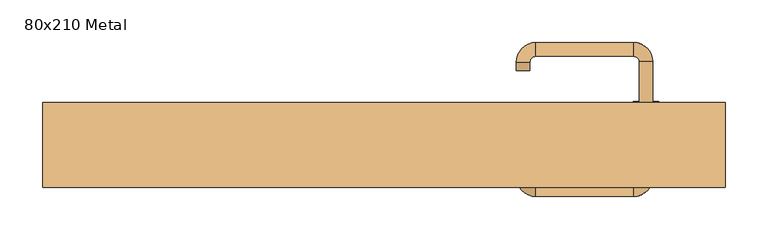
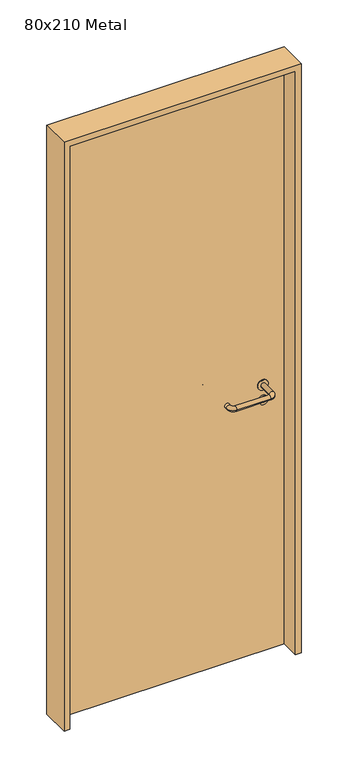
"""IFC4 building model written with IfcOpenShell, lengths in millimetres: door geometry, 80x210 Metal."""

from ifc_helpers import new_model, si_unit, point, frame, frame_2d, origin, origin_with_axes, place, context, project, spatial, polyline, circle_curve, ellipse_curve, trimmed, segment, composite_curve, outline, extrude, source, transform, mapped, element, save
from ifc_brep_helpers import plane_surface, cylinder_surface, revolved_surface, advanced_brep


def door_80x210_metal_e9ba2e38(model_context):
    return source(origin(), model_context, "Body", "SolidModel", [
        extrude(outline(composite_curve([segment(trimmed(circle_curve(frame_2d((897.3605726, 307.0)), 15.0), [point((897.3605726, 322.0))], [point((897.3605726, 292.0))], False, "CARTESIAN"), True, "CONTINUOUS"), segment(trimmed(circle_curve(frame_2d((897.3605726, 307.0)), 15.0), [point((897.3605726, 292.0))], [point((897.3605726, 322.0))], False, "CARTESIAN"), True, "CONTINUOUS")], self_intersect=False), holes=[composite_curve([segment(trimmed(circle_curve(frame_2d((892.5833211, 306.9398032)), 2.0), [point((892.5833211, 308.9398032))], [point((892.5833211, 304.9398032))], True, "CARTESIAN"), True, "CONTINUOUS"), segment(polyline([(892.5833211, 304.9398032), (902.5833211, 304.9398032)]), True, "CONTINUOUS"), segment(trimmed(circle_curve(frame_2d((902.5833211, 306.9398032)), 2.0), [point((902.5833211, 304.9398032))], [point((902.5833211, 308.9398032))], True, "CARTESIAN"), True, "CONTINUOUS"), segment(polyline([(902.5833211, 308.9398032), (892.5833211, 308.9398032)]), True, "CONTINUOUS")], self_intersect=False)]), frame((0.0, 18.65, 0.0), z_axis=(0.0, 1.0, 0.0), x_axis=(0.0, 0.0, 1.0)), (0.0, 0.0, 1.0), 6.35),
        extrude(outline(composite_curve([segment(trimmed(circle_curve(frame_2d((950.0, 307.0)), 17.526), [point((950.0, 324.526))], [point((950.0, 289.474))], False, "CARTESIAN"), True, "CONTINUOUS"), segment(trimmed(circle_curve(frame_2d((950.0, 307.0)), 17.526), [point((950.0, 289.474))], [point((950.0, 324.526))], False, "CARTESIAN"), True, "CONTINUOUS")], self_intersect=False)), frame((0.0, 21.825, 0.0), z_axis=(0.0, 1.0, 0.0), x_axis=(0.0, 0.0, 1.0)), (0.0, 0.0, 1.0), 3.175),
        advanced_brep(
        [(315.0, 25.0, 950.0), (299.0, 25.0, 950.0), (299.0, -28.0, 950.0), (315.0, -28.0, 950.0), (292.8578644, -34.1421356, 950.0), (292.8578644, -50.1421356, 950.0), (177.8578644, -34.1421356, 950.0), (177.8578644, -50.1421356, 950.0), (171.008622, -27.2928932, 950.0), (155.008622, -27.2928932, 950.0), (155.008622, -17.2928932, 950.0), (171.008622, -17.2928932, 950.0)],
        [
            (0, 1, circle_curve(frame((307.0, 25.0, 950.0), z_axis=(0.0, 1.0, 0.0), x_axis=(-1.0, 0.0, 0.0)), 8.0)),
            (1, 0, circle_curve(frame((307.0, 25.0, 950.0), z_axis=(0.0, 1.0, 0.0), x_axis=(-1.0, 0.0, 0.0)), 8.0)),
            (1, 2),
            (2, 3, circle_curve(frame((307.0, -28.0, 950.0), z_axis=(0.0, 1.0, 0.0), x_axis=(-1.0, 0.0, 0.0)), 8.0)),
            (3, 0),
            (3, 2, circle_curve(frame((307.0, -28.0, 950.0), z_axis=(0.0, 1.0, 0.0), x_axis=(-1.0, 0.0, 0.0)), 8.0)),
            (4, 5, circle_curve(frame((292.8578644, -42.1421356, 950.0), z_axis=(1.0, 0.0, 0.0), x_axis=(0.0, 1.0, 0.0)), 8.0)),
            (5, 3, circle_curve(frame((292.8578644, -28.0, 950.0), z_axis=(0.0, 0.0, 1.0), x_axis=(1.0, 0.0, 0.0)), 22.1421356)),
            (2, 4, circle_curve(frame((292.8578644, -28.0, 950.0), z_axis=(0.0, 0.0, -1.0), x_axis=(1.0, 0.0, 0.0)), 6.1421356)),
            (5, 4, circle_curve(frame((292.8578644, -42.1421356, 950.0), z_axis=(1.0, 0.0, 0.0), x_axis=(0.0, 1.0, 0.0)), 8.0)),
            (4, 6),
            (6, 7, circle_curve(frame((177.8578644, -42.1421356, 950.0), z_axis=(1.0, 0.0, 0.0), x_axis=(0.0, 1.0, 0.0)), 8.0)),
            (7, 5),
            (7, 6, circle_curve(frame((177.8578644, -42.1421356, 950.0), z_axis=(1.0, 0.0, 0.0), x_axis=(0.0, 1.0, 0.0)), 8.0)),
            (8, 9, circle_curve(frame((163.008622, -27.2928932, 950.0), z_axis=(0.0, -1.0, 0.0), x_axis=(1.0, 0.0, 0.0)), 8.0)),
            (9, 7, circle_curve(frame((177.8578644, -27.2928932, 950.0), z_axis=(0.0, 0.0, 1.0), x_axis=(0.0, -1.0, 0.0)), 22.8492424)),
            (6, 8, circle_curve(frame((177.8578644, -27.2928932, 950.0), z_axis=(0.0, 0.0, -1.0), x_axis=(0.0, -1.0, 0.0)), 6.8492424)),
            (9, 8, circle_curve(frame((163.008622, -27.2928932, 950.0), z_axis=(0.0, -1.0, 0.0), x_axis=(1.0, 0.0, 0.0)), 8.0)),
            (10, 11, circle_curve(frame((163.008622, -17.2928932, 950.0), z_axis=(0.0, 1.0, 0.0), x_axis=(1.0, 0.0, 0.0)), 8.0)),
            (11, 10, circle_curve(frame((163.008622, -17.2928932, 950.0), z_axis=(0.0, 1.0, 0.0), x_axis=(1.0, 0.0, 0.0)), 8.0)),
            (8, 11),
            (10, 9),
        ],
        [
            plane_surface(frame((307.0, 25.0, 0.0), z_axis=(0.0, 1.0, 0.0), x_axis=(0.0, 0.0, 1.0))),
            cylinder_surface(frame((307.0, 25.0, 950.0), z_axis=(0.0, 1.0, 0.0), x_axis=(-1.0, 0.0, 0.0)), 8.0),
            revolved_surface(trimmed(ellipse_curve(frame((307.0, -28.0, 950.0), z_axis=(0.0, -1.0, 0.0), x_axis=(-1.0, 0.0, 0.0)), 8.0, 8.0), [point((315.0, -28.0, 950.0))], [point((299.0, -28.0, 950.0))], True, "CARTESIAN"), (292.8578644, -28.0, 0.0), (0.0, 0.0, 1.0)),
            revolved_surface(trimmed(ellipse_curve(frame((307.0, -28.0, 950.0), z_axis=(0.0, -1.0, 0.0), x_axis=(-1.0, 0.0, 0.0)), 8.0, 8.0), [point((299.0, -28.0, 950.0))], [point((315.0, -28.0, 950.0))], True, "CARTESIAN"), (292.8578644, -28.0, 0.0), (0.0, 0.0, 1.0)),
            cylinder_surface(frame((292.8578644, -42.1421356, 950.0), z_axis=(1.0, 0.0, 0.0), x_axis=(0.0, 1.0, 0.0)), 8.0),
            revolved_surface(trimmed(ellipse_curve(frame((177.8578644, -42.1421356, 950.0), z_axis=(-1.0, 0.0, 0.0), x_axis=(0.0, 1.0, 0.0)), 8.0, 8.0), [point((177.8578644, -50.1421356, 950.0))], [point((177.8578644, -34.1421356, 950.0))], True, "CARTESIAN"), (177.8578644, -27.2928932, 0.0), (0.0, 0.0, 1.0)),
            revolved_surface(trimmed(ellipse_curve(frame((177.8578644, -42.1421356, 950.0), z_axis=(-1.0, 0.0, 0.0), x_axis=(0.0, 1.0, 0.0)), 8.0, 8.0), [point((177.8578644, -34.1421356, 950.0))], [point((177.8578644, -50.1421356, 950.0))], True, "CARTESIAN"), (177.8578644, -27.2928932, 0.0), (0.0, 0.0, 1.0)),
            plane_surface(frame((163.008622, -17.2928932, 0.0), z_axis=(0.0, 1.0, 0.0), x_axis=(0.0, 0.0, 1.0))),
            cylinder_surface(frame((163.008622, -27.2928932, 950.0), z_axis=(0.0, -1.0, 0.0), x_axis=(1.0, 0.0, 0.0)), 8.0),
        ],
        [
            (0, [[1, 2]]),
            (1, [[3, 4, 5, -2]]),
            (1, [[-5, 6, -3, -1]]),
            (2, [[7, 8, -4, 9]]),
            (3, [[10, -9, -6, -8]]),
            (4, [[11, 12, 13, -7]]),
            (4, [[-13, 14, -11, -10]]),
            (5, [[15, 16, -12, 17]]),
            (6, [[18, -17, -14, -16]]),
            (7, [[19, 20]]),
            (8, [[21, -19, 22, -15]]),
            (8, [[-22, -20, -21, -18]]),
        ],
    ),
        extrude(outline(composite_curve([segment(trimmed(circle_curve(frame_2d((0.0, -15.0)), 15.0), [point((0.0, -30.0))], [point((0.0, 0.0))], False, "CARTESIAN"), True, "CONTINUOUS"), segment(trimmed(circle_curve(frame_2d((0.0, -15.0)), 15.0), [point((0.0, 0.0))], [point((0.0, -30.0))], False, "CARTESIAN"), True, "CONTINUOUS")], self_intersect=False), holes=[composite_curve([segment(trimmed(circle_curve(frame_2d((4.7772515, -14.9398032)), 2.0), [point((4.7772515, -16.9398032))], [point((4.7772515, -12.9398032))], True, "CARTESIAN"), True, "CONTINUOUS"), segment(polyline([(4.7772515, -12.9398032), (-5.2227485, -12.9398032)]), True, "CONTINUOUS"), segment(trimmed(circle_curve(frame_2d((-5.2227485, -14.9398032)), 2.0), [point((-5.2227485, -12.9398032))], [point((-5.2227485, -16.9398032))], True, "CARTESIAN"), True, "CONTINUOUS"), segment(polyline([(-5.2227485, -16.9398032), (4.7772515, -16.9398032)]), True, "CONTINUOUS")], self_intersect=False)]), frame((292.0, 55.0, 897.3605726), z_axis=(1.8870575173328306e-12, 1.0, 0.0), x_axis=(0.0, 0.0, -1.0)), (0.0, 0.0, 1.0), 6.35),
        extrude(outline(composite_curve([segment(trimmed(circle_curve(frame_2d((0.0, -17.526)), 17.526), [point((0.0, -35.052))], [point((0.0, 0.0))], False, "CARTESIAN"), True, "CONTINUOUS"), segment(trimmed(circle_curve(frame_2d((0.0, -17.526)), 17.526), [point((0.0, 0.0))], [point((0.0, -35.052))], False, "CARTESIAN"), True, "CONTINUOUS")], self_intersect=False)), frame((289.474, 55.0, 950.0), z_axis=(1.8870575173328306e-12, 1.0, 0.0), x_axis=(0.0, 0.0, -1.0)), (0.0, 0.0, 1.0), 3.175),
        advanced_brep(
        [(315.0, 55.0, 950.0), (299.0, 55.0, 950.0), (315.0, 108.0, 950.0), (299.0, 108.0, 950.0), (292.8578644, 114.1421356, 950.0), (292.8578644, 130.1421356, 950.0), (177.8578644, 130.1421356, 950.0), (177.8578644, 114.1421356, 950.0), (171.008622, 107.2928932, 950.0), (155.008622, 107.2928932, 950.0), (155.008622, 97.2928932, 950.0), (171.008622, 97.2928932, 950.0)],
        [
            (0, 1, circle_curve(frame((307.0, 55.0, 950.0), z_axis=(-1.888672253512351e-12, -1.0, 0.0), x_axis=(-1.0, 1.888672253512351e-12, 0.0)), 8.0)),
            (1, 0, circle_curve(frame((307.0, 55.0, 950.0), z_axis=(-1.888672253512351e-12, -1.0, 0.0), x_axis=(-1.0, 1.888672253512351e-12, 0.0)), 8.0)),
            (0, 2),
            (2, 3, circle_curve(frame((307.0, 108.0, 950.0), z_axis=(-1.888672253512351e-12, -1.0, 0.0), x_axis=(-1.0, 1.888672253512351e-12, 0.0)), 8.0)),
            (3, 1),
            (3, 2, circle_curve(frame((307.0, 108.0, 950.0), z_axis=(-1.888672253512351e-12, -1.0, 0.0), x_axis=(-1.0, 1.888672253512351e-12, 0.0)), 8.0)),
            (4, 3, circle_curve(frame((292.8578644, 108.0, 950.0), z_axis=(0.0, 0.0, -1.0), x_axis=(1.0, -1.880717803715015e-12, 0.0)), 6.1421356)),
            (2, 5, circle_curve(frame((292.8578644, 108.0, 950.0), z_axis=(0.0, 0.0, 1.0), x_axis=(1.0, -1.880717803715015e-12, 0.0)), 22.1421356)),
            (5, 4, circle_curve(frame((292.8578644, 122.1421356, 950.0), z_axis=(1.0, -1.913702061528922e-12, 0.0), x_axis=(-1.913702061528922e-12, -1.0, 0.0)), 8.0)),
            (4, 5, circle_curve(frame((292.8578644, 122.1421356, 950.0), z_axis=(1.0, -1.913702061528922e-12, 0.0), x_axis=(-1.913702061528922e-12, -1.0, 0.0)), 8.0)),
            (5, 6),
            (6, 7, circle_curve(frame((177.8578644, 122.1421356, 950.0), z_axis=(1.0, -1.913719828541269e-12, 0.0), x_axis=(-1.913719828541269e-12, -1.0, 0.0)), 8.0)),
            (7, 4),
            (7, 6, circle_curve(frame((177.8578644, 122.1421356, 950.0), z_axis=(1.0, -1.913719828541269e-12, 0.0), x_axis=(-1.913719828541269e-12, -1.0, 0.0)), 8.0)),
            (8, 7, circle_curve(frame((177.8578644, 107.2928932, 950.0), z_axis=(0.0, 0.0, -1.0), x_axis=(1.9120873253494017e-12, 1.0, 0.0)), 6.8492424)),
            (6, 9, circle_curve(frame((177.8578644, 107.2928932, 950.0), z_axis=(0.0, 0.0, 1.0), x_axis=(1.9120873253494017e-12, 1.0, 0.0)), 22.8492424)),
            (9, 8, circle_curve(frame((163.008622, 107.2928932, 950.0), z_axis=(1.890448610351751e-12, 1.0, 0.0), x_axis=(1.0, -1.890448610351751e-12, 0.0)), 8.0)),
            (8, 9, circle_curve(frame((163.008622, 107.2928932, 950.0), z_axis=(1.8888942981172756e-12, 1.0, 0.0), x_axis=(1.0, -1.8888942981172756e-12, 0.0)), 8.0)),
            (10, 11, circle_curve(frame((163.008622, 97.2928932, 950.0), z_axis=(-1.8903642334018795e-12, -1.0, 0.0), x_axis=(1.0, -1.8903642334018795e-12, 0.0)), 8.0)),
            (11, 10, circle_curve(frame((163.008622, 97.2928932, 950.0), z_axis=(-1.8903642334018795e-12, -1.0, 0.0), x_axis=(1.0, -1.8903642334018795e-12, 0.0)), 8.0)),
            (9, 10),
            (11, 8),
        ],
        [
            plane_surface(frame((307.0, 55.0, 0.0), z_axis=(-1.8870575173328306e-12, -1.0, 0.0), x_axis=(0.0, 0.0, 1.0))),
            cylinder_surface(frame((307.0, 55.0, 950.0), z_axis=(-1.888672253512351e-12, -1.0, 0.0), x_axis=(-1.0, 1.888672253512351e-12, 0.0)), 8.0),
            revolved_surface(trimmed(ellipse_curve(frame((307.0, 108.0, 950.0), z_axis=(-1.8823325398945356e-12, -1.0, 0.0), x_axis=(-1.0, 1.8823325398945356e-12, 0.0)), 8.0, 8.0), [point((315.0, 108.0, 950.0))], [point((299.0, 108.0, 950.0))], True, "CARTESIAN"), (292.8578644, 108.0, 0.0), (0.0, 0.0, 1.0)),
            revolved_surface(trimmed(ellipse_curve(frame((307.0, 108.0, 950.0), z_axis=(-1.8823325398945356e-12, -1.0, 0.0), x_axis=(-1.0, 1.8823325398945356e-12, 0.0)), 8.0, 8.0), [point((299.0, 108.0, 950.0))], [point((315.0, 108.0, 950.0))], True, "CARTESIAN"), (292.8578644, 108.0, 0.0), (0.0, 0.0, 1.0)),
            cylinder_surface(frame((292.8578644, 122.1421356, 950.0), z_axis=(1.0, -1.913719828541269e-12, 0.0), x_axis=(-1.913719828541269e-12, -1.0, 0.0)), 8.0),
            revolved_surface(trimmed(ellipse_curve(frame((177.8578644, 122.1421356, 950.0), z_axis=(1.0, -1.913702061528922e-12, 0.0), x_axis=(-1.913702061528922e-12, -1.0, 0.0)), 8.0, 8.0), [point((177.8578644, 130.1421356, 950.0))], [point((177.8578644, 114.1421356, 950.0))], True, "CARTESIAN"), (177.8578644, 107.2928932, 0.0), (0.0, 0.0, 1.0)),
            revolved_surface(trimmed(ellipse_curve(frame((177.8578644, 122.1421356, 950.0), z_axis=(1.0, -1.913702061528922e-12, 0.0), x_axis=(-1.913702061528922e-12, -1.0, 0.0)), 8.0, 8.0), [point((177.8578644, 114.1421356, 950.0))], [point((177.8578644, 130.1421356, 950.0))], True, "CARTESIAN"), (177.8578644, 107.2928932, 0.0), (0.0, 0.0, 1.0)),
            plane_surface(frame((163.008622, 97.2928932, 0.0), z_axis=(-1.8887494972223595e-12, -1.0, 0.0), x_axis=(0.0, 0.0, 1.0))),
            cylinder_surface(frame((163.008622, 107.2928932, 950.0), z_axis=(1.8903642334018795e-12, 1.0, 0.0), x_axis=(1.0, -1.8903642334018795e-12, 0.0)), 8.0),
        ],
        [
            (0, [[1, 2]]),
            (1, [[-1, 3, 4, 5]]),
            (1, [[-2, -5, 6, -3]]),
            (2, [[7, -4, 8, 9]]),
            (3, [[-8, -6, -7, 10]]),
            (4, [[-9, 11, 12, 13]]),
            (4, [[-10, -13, 14, -11]]),
            (5, [[15, -12, 16, 17]]),
            (6, [[-16, -14, -15, 18]]),
            (7, [[19, 20]]),
            (8, [[-17, 21, -20, 22]]),
            (8, [[-18, -22, -19, -21]]),
        ],
    ),
        extrude(outline(polyline([(2080.0, 380.0), (0.0, 380.0), (0.0, 400.0), (2100.0, 400.0), (2100.0, -400.0), (0.0, -400.0), (0.0, -380.0), (2080.0, -380.0), (2080.0, 380.0)])), frame((0.0, -40.0, 0.0), z_axis=(0.0, 1.0, 0.0), x_axis=(0.0, 0.0, 1.0)), (0.0, 0.0, 1.0), 100.0),
        extrude(outline(polyline([(-380.0, 55.0), (380.0, 55.0), (380.0, 25.0), (-380.0, 25.0), (-380.0, 55.0)])), origin_with_axes(), (0.0, 0.0, 1.0), 2080.0),
    ])


if __name__ == "__main__":
    model = new_model("IFC4")
    model_context = context("Model", 3, world=origin())
    ifc_project = project(units=[si_unit("LENGTHUNIT", "METRE", prefix="MILLI")], contexts=[model_context])
    site = spatial("IfcSite", under=ifc_project)
    building = spatial("IfcBuilding", under=site)
    placement = place(None, origin())
    door_80x210_metal_shape = door_80x210_metal_e9ba2e38(model_context)
    element("IfcDoor", 1, ObjectType="80x210 Metal", at=placement, inside=building, context=model_context, shape_type="MappedRepresentation", body=[
        mapped(door_80x210_metal_shape, transform((0.0, 0.0, 0.0), x_axis=(1.0, 0.0, 0.0), y_axis=(0.0, 1.0, 0.0), z_axis=(0.0, 0.0, 1.0))),
    ])
    save(model, "model.ifc")
